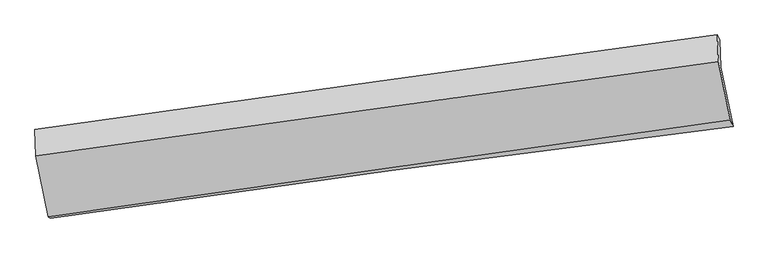
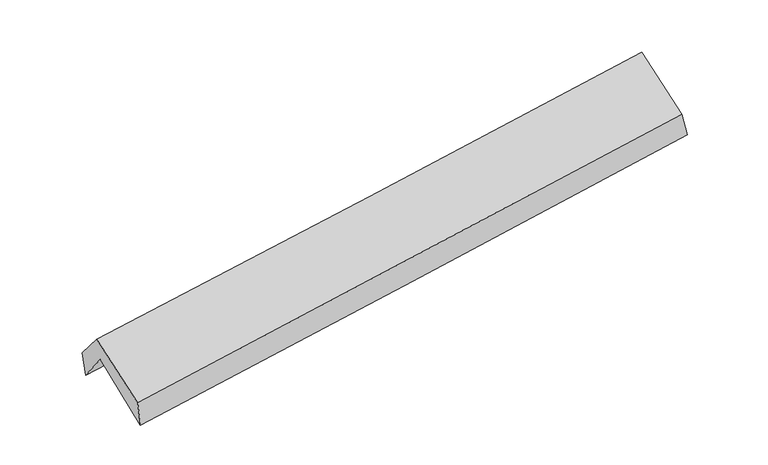
"""IFC4 building model written with IfcOpenShell, lengths in millimetres: proxy geometry."""

from ifc_helpers import new_model, si_unit, frame, origin, place, context, project, spatial, source, transform, mapped, element, save
from ifc_brep_helpers import plane_surface, spline_curve, spline_surface, advanced_brep


def generic_models_82facaa6(model_context):
    return source(origin(), model_context, "Body", "AdvancedBrep", [
        advanced_brep(
        [(-2901.8717533, -2496.2701872, 1435.1908155), (-3007.988411, -1983.5525086, 1862.4596881), (2949.0250639, -1176.6430223, 2363.124357), (3056.6023866, -1694.4290218, 1950.9328673), (-3015.9947357, -1740.1575277, 1549.32003), (2941.3089305, -942.0699555, 2061.3345269), (-3037.8093061, -1722.013874, 1784.3682713), (2919.034022, -893.6514797, 2245.3570717), (-3028.6870711, -1954.7072572, 2065.8632269), (2928.1718282, -1125.9166893, 2526.342167), (-2922.8880491, -2485.4397104, 1672.855968), (3032.5518077, -1639.9713906, 2145.9672525)],
        [
            (0, 1),
            (1, 2, spline_curve(3, [(-3007.988411, -1983.5525086, 1862.4596881), (-2014.676625082, -1839.471296179, 1923.211214234), (-1021.655460424, -1700.194841753, 1995.303416359), (964.015821173, -1431.222978387, 2162.186836112), (1956.665814694, -1301.529603741, 2256.982857458), (2949.0250639, -1176.6430223, 2363.124357)], [4, 2, 4], [0.0, 9.896662831968419, 19.795421111383646])),
            (2, 3),
            (3, 0, spline_curve(3, [(3056.6023866, -1694.4290218, 1950.9328673), (2063.285726853, -1817.679572768, 1849.298901634), (1070.035331171, -1946.132569503, 1755.499694283), (-916.122687498, -2213.415160256, 1583.588993752), (-1909.030338282, -2352.242552342, 1505.474183784), (-2901.8717533, -2496.2701872, 1435.1908155)], [4, 2, 4], [0.0, 9.898758279415228, 19.795421111383646])),
            (1, 4),
            (4, 5, spline_curve(3, [(-3015.9947357, -1740.1575277, 1549.32003), (-2022.73129986, -1594.606462857, 1608.180519033), (-1029.710134791, -1455.330008946, 1680.272720849), (956.057856377, -1189.29816061, 1850.938615817), (1948.804580369, -1062.545424101, 1949.517913161), (2941.3089305, -942.0699555, 2061.3345269)], [4, 2, 4], [0.0, 9.895414169742455, 19.792923522549057])),
            (5, 2),
            (4, 6),
            (6, 7, spline_curve(3, [(-3037.8093061, -1722.013874, 1784.3682713), (-2044.764662057, -1580.809655384, 1852.262762128), (-1051.891258385, -1441.18448634, 1924.621201775), (933.723256925, -1165.063019778, 2078.282244639), (1926.464295822, -1028.567390296, 2159.586738435), (2919.034022, -893.6514797, 2245.3570717)], [4, 2, 4], [0.0, 9.89445757396089, 19.79101012844329])),
            (7, 5),
            (6, 8),
            (8, 9, spline_curve(3, [(-3028.6870711, -1954.7072572, 2065.8632269), (-2035.551438204, -1815.691848805, 2136.406861804), (-1042.631237538, -1677.125527039, 2210.047534499), (942.988486629, -1400.861814422, 2363.539202586), (1935.687919199, -1263.164613349, 2443.391510137), (2928.1718282, -1125.9166893, 2526.342167)], [4, 2, 4], [0.0, 9.893764236303802, 19.78962330632684])),
            (9, 7),
            (8, 10),
            (10, 11, spline_curve(3, [(-2922.8880491, -2485.4397104, 1672.855968), (-1930.474486225, -2341.336937262, 1747.323112), (-938.033587364, -2198.837145583, 1823.97821947), (1047.113019973, -1917.01369355, 1981.681054389), (2039.818740116, -1777.690711727, 2062.729708659), (3032.5518077, -1639.9713906, 2145.9672525)], [4, 2, 4], [0.0, 9.895286613303425, 19.79266838266312])),
            (11, 9),
            (10, 0),
            (3, 11),
        ],
        [
            spline_surface(3, 3, [[(-2901.8717533, -2496.2701872, 1435.1908155), (-1909.030338327, -2352.242552186, 1505.474183786), (-916.122687456, -2213.415160295, 1583.588993738), (1070.035331128, -1946.132569464, 1755.499694297), (2063.285726886, -1817.679572905, 1849.298901634), (3056.6023866, -1694.4290218, 1950.9328673)], [(-2937.243972555, -2325.364294319, 1577.613773037), (-1944.245767291, -2181.318800125, 1644.719860655), (-951.300278414, -2042.341720812, 1720.82713458), (1034.695494434, -1774.496039045, 1891.062074977), (2027.745756073, -1645.629583143, 1985.193553578), (3020.743279006, -1521.833688622, 2088.330030548)], [(-2972.616191745, -2154.458401481, 1720.036730563), (-1979.461196191, -2010.395048107, 1783.965537513), (-986.477869355, -1871.268281372, 1858.065275357), (999.355657757, -1602.85950867, 2026.624455592), (1992.205785343, -1473.579593415, 2121.08820548), (2984.884171494, -1349.238355478, 2225.727193752)], [(-3007.988411, -1983.5525086, 1862.4596881), (-2014.676625154, -1839.471296046, 1923.211214382), (-1021.655460314, -1700.194841889, 1995.303416199), (964.015821063, -1431.222978252, 2162.186836272), (1956.665814531, -1301.529603654, 2256.982857424), (2949.0250639, -1176.6430223, 2363.124357)]], [4, 4], [4, 2, 4], [0.0, 2.1834141328302703], [0.0, 9.896662831968419, 19.795421111383646]),
            spline_surface(3, 3, [[(-3007.988411, -1983.5525086, 1862.4596881), (-2014.676625154, -1839.471296046, 1923.211214382), (-1021.655460314, -1700.194841889, 1995.303416199), (964.015821063, -1431.222978252, 2162.186836272), (1956.665814531, -1301.529603654, 2256.982857424), (2949.0250639, -1176.6430223, 2363.124357)], [(-3010.657185899, -1902.42084831, 1758.079802044), (-2017.361516674, -1757.849685036, 1818.200982539), (-1024.340351834, -1618.573230879, 1890.293184356), (961.363166197, -1350.581372421, 2058.437429469), (1954.045403144, -1221.8682105, 2154.494542619), (2946.453019438, -1098.452000043, 2262.527746939)], [(-3013.325960801, -1821.28918799, 1653.699916056), (-2020.046408196, -1676.228073996, 1713.190750762), (-1027.025243356, -1536.951619839, 1785.282952579), (958.710511328, -1269.939766559, 1954.688022733), (1951.424991743, -1142.206817318, 2052.006227897), (2943.880974962, -1020.260977757, 2161.931136961)], [(-3015.9947357, -1740.1575277, 1549.32003), (-2022.731299716, -1594.606462986, 1608.180518919), (-1029.710134876, -1455.330008829, 1680.272720736), (956.057856462, -1189.298160727, 1850.93861593), (1948.804580355, -1062.545424164, 1949.517913092), (2941.3089305, -942.0699555, 2061.3345269)]], [4, 4], [4, 2, 4], [0.0, 1.301468536101018], [0.0, 9.895414169742455, 19.792923522549057]),
            spline_surface(3, 3, [[(-3015.9947357, -1740.1575277, 1549.32003), (-2022.731299716, -1594.606462986, 1608.180518919), (-1029.710134876, -1455.330008829, 1680.272720736), (956.057856462, -1189.298160727, 1850.93861593), (1948.804580355, -1062.545424164, 1949.517913092), (2941.3089305, -942.0699555, 2061.3345269)], [(-3023.266259161, -1734.109643135, 1627.669443765), (-2030.07575387, -1590.007527099, 1689.541266634), (-1037.103842698, -1450.614834723, 1761.72221441), (948.612989938, -1181.219780376, 1926.719825522), (1941.357818826, -1051.219412913, 2019.540854898), (2933.883961017, -925.93046358, 2122.675375183)], [(-3030.537782639, -1728.061758565, 1706.018857535), (-2037.420208042, -1585.408591208, 1770.902014354), (-1044.497550524, -1445.899660585, 1843.171708058), (941.16812341, -1173.141399992, 2002.50103509), (1933.911057244, -1039.893401623, 2089.563796656), (2926.458991483, -909.79097162, 2184.016223417)], [(-3037.8093061, -1722.013874, 1784.3682713), (-2044.764662196, -1580.809655321, 1852.262762069), (-1051.891258347, -1441.184486478, 1924.621201732), (933.723256887, -1165.06301964, 2078.282244682), (1926.464295714, -1028.567390372, 2159.586738462), (2919.034022, -893.6514797, 2245.3570717)]], [4, 4], [4, 2, 4], [0.0, 0.7797517407276743], [0.0, 9.89445757396089, 19.79101012844329]),
            spline_surface(3, 3, [[(-3037.8093061, -1722.013874, 1784.3682713), (-2044.764662196, -1580.809655321, 1852.262762069), (-1051.891258347, -1441.184486478, 1924.621201732), (933.723256887, -1165.06301964, 2078.282244682), (1926.464295714, -1028.567390372, 2159.586738462), (2919.034022, -893.6514797, 2245.3570717)], [(-3034.768561099, -1799.578335063, 1878.199923189), (-2041.693587505, -1659.10371976, 1946.977461994), (-1048.804584765, -1519.831500029, 2019.763312624), (936.811666833, -1243.66261786, 2173.367897391), (1929.538836897, -1106.766464635, 2254.188329055), (2922.07995738, -971.073216222, 2339.01877014)], [(-3031.727816101, -1877.142796137, 1972.031575011), (-2038.622512816, -1737.397784212, 2041.692161852), (-1045.7179112, -1598.478513594, 2114.90542345), (939.900076763, -1322.262216096, 2268.453550035), (1932.61337814, -1184.965538931, 2348.789919627), (2925.12589282, -1048.494952778, 2432.68046856)], [(-3028.6870711, -1954.7072572, 2065.8632269), (-2035.551438125, -1815.691848651, 2136.406861777), (-1042.631237618, -1677.125527144, 2210.047534342), (942.98848671, -1400.861814316, 2363.539202743), (1935.687919323, -1263.164613194, 2443.39151022), (2928.1718282, -1125.9166893, 2526.342167)]], [4, 4], [4, 2, 4], [0.0, 1.214975465519889], [0.0, 9.893764236303802, 19.78962330632684]),
            spline_surface(3, 3, [[(-3028.6870711, -1954.7072572, 2065.8632269), (-2035.551438125, -1815.691848651, 2136.406861777), (-1042.631237618, -1677.125527144, 2210.047534342), (942.98848671, -1400.861814316, 2363.539202743), (1935.687919323, -1263.164613194, 2443.39151022), (2928.1718282, -1125.9166893, 2526.342167)], [(-2993.420730421, -2131.618074944, 1934.860807262), (-2000.525787466, -1990.906878154, 2006.712278557), (-1007.76535421, -1851.029399959, 2081.357762721), (977.696664462, -1572.912440686, 2236.253153272), (1970.398192942, -1434.673312702, 2316.504242965), (2962.965154727, -1297.268256395, 2399.550528807)], [(-2958.154389779, -2308.528892656, 1803.858387638), (-1965.500136845, -2166.121907625, 1877.017695352), (-972.899470784, -2024.933272834, 1952.667991126), (1012.404842232, -1744.963067116, 2108.967103826), (2005.108466481, -1606.182012224, 2189.616975789), (2997.758481173, -1468.619823505, 2272.758890693)], [(-2922.8880491, -2485.4397104, 1672.855968), (-1930.474486186, -2341.336937127, 1747.323112133), (-938.033587375, -2198.837145648, 1823.978219505), (1047.113019985, -1917.013693485, 1981.681054354), (2039.8187401, -1777.690711732, 2062.729708533), (3032.5518077, -1639.9713906, 2145.9672525)]], [4, 4], [4, 2, 4], [0.0, 2.1453998368244553], [0.0, 9.895286613303425, 19.79266838266312]),
            spline_surface(3, 3, [[(-2922.8880491, -2485.4397104, 1672.855968), (-1930.474486186, -2341.336937127, 1747.323112133), (-938.033587375, -2198.837145648, 1823.978219505), (1047.113019985, -1917.013693485, 1981.681054354), (2039.8187401, -1777.690711732, 2062.729708533), (3032.5518077, -1639.9713906, 2145.9672525)], [(-2915.882617165, -2489.04986933, 1593.634250503), (-1923.326436898, -2344.972142143, 1666.706802686), (-930.729954065, -2203.696483883, 1743.848477562), (1054.75379037, -1926.719985497, 1906.287267648), (2047.641069028, -1791.020332127, 1991.586106251), (3040.568667333, -1658.123934338, 2080.955790784)], [(-2908.877185235, -2492.66002827, 1514.412532997), (-1916.178387615, -2348.60734717, 1586.090493232), (-923.426320766, -2208.555822061, 1663.718735681), (1062.394560743, -1936.426277452, 1830.893481003), (2055.463397958, -1804.349952509, 1920.442503917), (3048.585526967, -1676.276478062, 2015.944329016)], [(-2901.8717533, -2496.2701872, 1435.1908155), (-1909.030338327, -2352.242552186, 1505.474183786), (-916.122687456, -2213.415160295, 1583.588993738), (1070.035331128, -1946.132569464, 1755.499694297), (2063.285726886, -1817.679572905, 1849.298901634), (3056.6023866, -1694.4290218, 1950.9328673)]], [4, 4], [4, 2, 4], [0.0, 0.7722267587050895], [0.0, 9.89729533355445, 19.796686248476995]),
            plane_surface(frame((2971.1156732, -1245.4469265, 2215.5097071), z_axis=(0.9868110026360366, 0.13906269834717822, 0.08285898264438363), x_axis=(0.16109393287572227, -0.7933618484757164, -0.5870483133216778))),
            plane_surface(frame((-2985.8732211, -2063.6901775, 1728.343), z_axis=(-0.9872789331481092, -0.13677687364835628, -0.08107030897260262), x_axis=(-0.08799384518556679, 0.04534649239758282, 0.9950883271532706))),
        ],
        [
            (0, [[1, 2, 3, 4]]),
            (1, [[5, 6, 7, -2]]),
            (2, [[8, 9, 10, -6]]),
            (3, [[11, 12, 13, -9]]),
            (4, [[14, 15, 16, -12]]),
            (5, [[17, -4, 18, -15]]),
            (6, [[-16, -18, -3, -7, -10, -13]]),
            (7, [[-17, -14, -11, -8, -5, -1]]),
        ],
    ),
    ])


if __name__ == "__main__":
    model = new_model("IFC4")
    model_context = context("Model", 3, world=origin())
    ifc_project = project(units=[si_unit("LENGTHUNIT", "METRE", prefix="MILLI")], contexts=[model_context])
    site = spatial("IfcSite", under=ifc_project)
    building = spatial("IfcBuilding", under=site)
    placement = place(None, origin())
    generic_models_shape = generic_models_82facaa6(model_context)
    element("IfcBuildingElementProxy", 1, Name="Generic Models", at=placement, inside=building, context=model_context, shape_type="MappedRepresentation", body=[
        mapped(generic_models_shape, transform((0.0, 0.0, 0.0), x_axis=(1.0, 0.0, 0.0), y_axis=(0.0, 1.0, 0.0), z_axis=(0.0, 0.0, 1.0))),
    ])
    save(model, "model.ifc")
